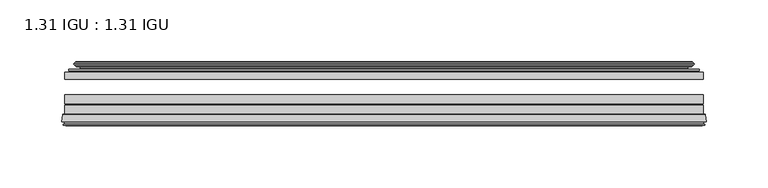
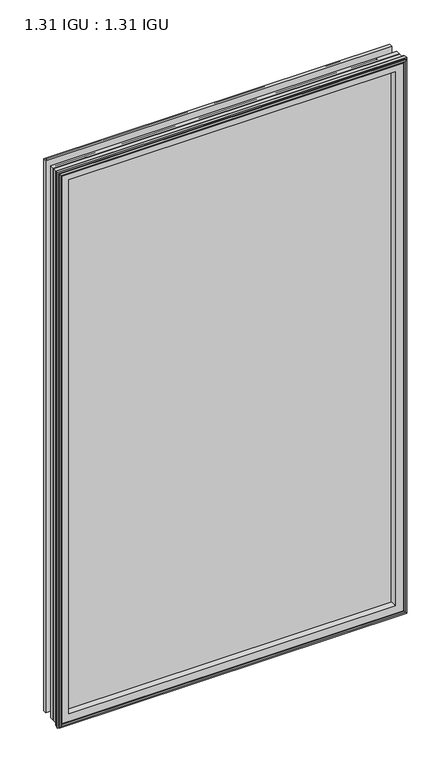
"""IFC4 building model written with IfcOpenShell, lengths in millimetres: plate geometry, 1.31 IGU : 1.31 IGU."""

from ifc_helpers import new_model, si_unit, frame, origin, place, context, project, spatial, polyline, ellipse_curve, outline, extrude, source, transform, mapped, element, save
from ifc_brep_helpers import plane_surface, cylinder_surface, revolved_surface, advanced_brep


def plate_1_31_igu_1_31_igu_9e74d683(model_context):
    return source(origin(), model_context, "Body", "SolidModel", [
        extrude(outline(polyline([(258.7578362, -44.8960875), (258.7578362, -50.4332875), (-258.7627713, -50.4332875), (-258.7627713, -44.8960875), (258.7578362, -44.8960875)])), frame((0.0, 0.0, -14.2875), z_axis=(0.0, 0.0, 1.0), x_axis=(1.0, 0.0, 0.0)), (0.0, 0.0, 1.0), 873.1260851),
        extrude(outline(polyline([(-258.7627713, -78.7796875), (-258.7627713, -71.7692875), (258.7578362, -71.7692875), (258.7578362, -78.7796875), (-258.7627713, -78.7796875)])), frame((0.0, 0.0, -14.2875), z_axis=(0.0, 0.0, 1.0), x_axis=(1.0, 0.0, 0.0)), (0.0, 0.0, 1.0), 873.1260851),
        extrude(outline(polyline([(-258.7627713, -70.2452875), (-258.7627713, -63.1332875), (258.7578362, -63.1332875), (258.7578362, -70.2452875), (-258.7627713, -70.2452875)])), frame((0.0, 0.0, -14.2875), z_axis=(0.0, 0.0, 1.0), x_axis=(1.0, 0.0, 0.0)), (0.0, 0.0, 1.0), 873.1260851),
        advanced_brep(
        [(-261.3096752, -85.1296875, 861.385489), (-260.6148914, -79.4711276, 860.6907053), (-260.6148914, -79.4711276, -16.1396201), (-261.3096752, -85.1296875, -16.8344039), (-258.9220752, -87.1207518, 858.997889), (-259.3792752, -85.1296875, 859.455089), (-259.3792752, -85.1296875, -14.9040039), (-258.9220752, -87.1207518, -14.4468039), (-259.9234371, -86.8524376, 859.9992509), (-259.9234371, -86.8524376, -15.4481658), (-260.1666752, -87.7602147, 860.242489), (-260.1666752, -87.7602147, -15.6914039), (-258.1346752, -88.3046875, 858.210489), (-258.1346752, -88.3046875, -13.6594039), (-256.1026752, -87.7602147, 856.178489), (-256.1026752, -87.7602147, -11.6274039), (-256.3459133, -86.8524376, 856.4217272), (-256.3459133, -86.8524376, -11.8706421), (-257.3472752, -87.1207518, 857.423089), (-257.3472752, -87.1207518, -12.8720039), (-256.8900752, -85.1296875, 856.965889), (-256.8900752, -85.1296875, -12.4148039), (-259.8333606, -78.7796875, 859.9091744), (-259.8333606, -78.7796875, -15.3580893), (260.6148914, -79.4711276, -16.1396201), (261.3096752, -85.1296875, -16.8344039), (259.3792752, -85.1296875, -14.9040039), (258.9220752, -87.1207518, -14.4468039), (259.9234371, -86.8524376, -15.4481658), (260.1666752, -87.7602147, -15.6914039), (258.1346752, -88.3046875, -13.6594039), (256.1026752, -87.7602147, -11.6274039), (256.3459133, -86.8524376, -11.8706421), (257.3472752, -87.1207518, -12.8720039), (256.8900752, -85.1296875, -12.4148039), (259.8333606, -78.7796875, -15.3580893), (260.6148914, -79.4711276, 860.6907053), (261.3096752, -85.1296875, 861.385489), (259.3792752, -85.1296875, 859.455089), (258.9220752, -87.1207518, 858.997889), (259.9234371, -86.8524376, 859.9992509), (260.1666752, -87.7602147, 860.242489), (258.1346752, -88.3046875, 858.210489), (256.1026752, -87.7602147, 856.178489), (256.3459133, -86.8524376, 856.4217272), (257.3472752, -87.1207518, 857.423089), (256.8900752, -85.1296875, 856.965889), (259.8333606, -78.7796875, 859.9091744), (-244.4874844, -85.1296875, 844.5632982), (244.4874844, -85.1296875, 844.5632982), (244.4874844, -85.1296875, -0.0122131), (-244.4874844, -85.1296875, -0.0122131), (-241.1712075, -78.7796875, 3.3040638), (241.1712075, -78.7796875, 3.3040638), (241.1712075, -78.7796875, 841.2470213), (-241.1712075, -78.7796875, 841.2470213)],
        [
            (0, 1),
            (1, 2),
            (2, 3),
            (3, 0),
            (4, 5),
            (5, 6),
            (6, 7),
            (7, 4),
            (8, 4),
            (7, 9),
            (9, 8),
            (10, 8),
            (9, 11),
            (11, 10),
            (12, 10),
            (11, 13),
            (13, 12),
            (14, 12),
            (13, 15),
            (15, 14),
            (16, 14),
            (15, 17),
            (17, 16),
            (18, 16),
            (17, 19),
            (19, 18),
            (20, 18),
            (19, 21),
            (21, 20),
            (1, 22, ellipse_curve(frame((-259.8333606, -79.5670875, 859.9091744), z_axis=(-0.7071067811865475, 0.0, -0.7071067811865475), x_axis=(-0.7071067811865474, 0.0, 0.7071067811865476)), 1.1135518, 0.7874)),
            (22, 23),
            (23, 2, ellipse_curve(frame((-259.8333606, -79.5670875, -15.3580893), z_axis=(-0.7071067811865475, 0.0, 0.7071067811865475), x_axis=(0.7071067811865474, 0.0, 0.7071067811865476)), 1.1135518, 0.7874)),
            (2, 24),
            (24, 25),
            (25, 3),
            (6, 26),
            (26, 27),
            (27, 7),
            (27, 28),
            (28, 9),
            (28, 29),
            (29, 11),
            (29, 30),
            (30, 13),
            (30, 31),
            (31, 15),
            (31, 32),
            (32, 17),
            (32, 33),
            (33, 19),
            (33, 34),
            (34, 21),
            (23, 35),
            (35, 24, ellipse_curve(frame((259.8333606, -79.5670875, -15.3580893), z_axis=(-0.7071067811865475, 0.0, -0.7071067811865475), x_axis=(-0.7071067811865476, 0.0, 0.7071067811865474)), 1.1135518, 0.7874)),
            (24, 36),
            (36, 37),
            (37, 25),
            (26, 38),
            (38, 39),
            (39, 27),
            (39, 40),
            (40, 28),
            (40, 41),
            (41, 29),
            (41, 42),
            (42, 30),
            (42, 43),
            (43, 31),
            (43, 44),
            (44, 32),
            (44, 45),
            (45, 33),
            (45, 46),
            (46, 34),
            (35, 47),
            (47, 36, ellipse_curve(frame((259.8333606, -79.5670875, 859.9091744), z_axis=(0.7071067811865475, 0.0, -0.7071067811865475), x_axis=(-0.7071067811865474, 0.0, -0.7071067811865476)), 1.1135518, 0.7874)),
            (36, 1),
            (0, 37),
            (5, 38),
            (4, 39),
            (8, 40),
            (10, 41),
            (12, 42),
            (14, 43),
            (16, 44),
            (18, 45),
            (20, 46),
            (48, 49),
            (49, 50),
            (50, 51),
            (51, 48),
            (22, 47),
            (52, 53),
            (53, 54),
            (54, 55),
            (55, 52),
            (55, 48, ellipse_curve(frame((-233.2381895, -86.963653, 833.3140033), z_axis=(0.7071067811865475, 0.0, 0.7071067811865475), x_axis=(0.7071067811865474, 0.0, -0.7071067811865476)), 16.118937, 11.3978097)),
            (51, 52, ellipse_curve(frame((-233.2381895, -86.963653, 11.2370818), z_axis=(0.7071067811865475, 0.0, -0.7071067811865475), x_axis=(-0.7071067811865474, 0.0, -0.7071067811865476)), 16.118937, 11.3978097)),
            (50, 53, ellipse_curve(frame((233.2381895, -86.963653, 11.2370818), z_axis=(0.7071067811865475, 0.0, 0.7071067811865475), x_axis=(0.7071067811865476, 0.0, -0.7071067811865474)), 16.118937, 11.3978097)),
            (49, 54, ellipse_curve(frame((233.2381895, -86.963653, 833.3140033), z_axis=(-0.7071067811865475, 0.0, 0.7071067811865475), x_axis=(0.7071067811865474, 0.0, 0.7071067811865476)), 16.118937, 11.3978097)),
        ],
        [
            plane_surface(frame((-260.6148914, -79.4711276, 860.6907053), z_axis=(-0.9925461516413008, 0.12186934340532068, 0.0), x_axis=(0.0, 0.0, -1.0))),
            plane_surface(frame((-259.3792752, -85.1296875, 859.455089), z_axis=(-0.9746347637895997, -0.22380142361654332, 0.0), x_axis=(0.0, 0.0, -1.0))),
            plane_surface(frame((-258.9220752, -87.1207518, 858.997889), z_axis=(0.25881904510266784, 0.9659258262890289, 0.0), x_axis=(0.0, 0.0, -1.0))),
            plane_surface(frame((-259.9234371, -86.8524376, 859.9992509), z_axis=(-0.9659258262890449, 0.2588190451026083, 0.0), x_axis=(0.0, 0.0, -1.0))),
            plane_surface(frame((-260.1666752, -87.7602147, 860.242489), z_axis=(-0.2588190451025689, -0.9659258262890554, 0.0), x_axis=(0.0, 0.0, -1.0))),
            plane_surface(frame((-258.1346752, -88.3046875, 858.210489), z_axis=(0.25881904510241466, -0.9659258262890968, 0.0), x_axis=(0.0, 0.0, -1.0))),
            plane_surface(frame((-256.1026752, -87.7602147, 856.178489), z_axis=(0.9659258262890272, 0.25881904510267406, 0.0), x_axis=(0.0, 0.0, -1.0))),
            plane_surface(frame((-256.3459133, -86.8524376, 856.4217272), z_axis=(-0.25881904510234177, 0.9659258262891163, 0.0), x_axis=(0.0, 0.0, -1.0))),
            plane_surface(frame((-257.3472752, -87.1207518, 857.423089), z_axis=(0.9746347637895936, -0.2238014236165695, 0.0), x_axis=(0.0, 0.0, -1.0))),
            cylinder_surface(frame((-259.8333606, -79.5670875, 876.3010851), z_axis=(0.0, 0.0, 1.0), x_axis=(-1.0, 0.0, 0.0)), 0.7874),
            plane_surface(frame((-260.6148914, -79.4711276, -16.1396201), z_axis=(0.0, 0.12186934340531747, -0.9925461516413012), x_axis=(1.0, 0.0, 0.0))),
            plane_surface(frame((-259.3792752, -85.1296875, -14.9040039), z_axis=(0.0, -0.22380142361654648, -0.9746347637895989), x_axis=(1.0, 0.0, 0.0))),
            plane_surface(frame((-258.9220752, -87.1207518, -14.4468039), z_axis=(0.0, 0.9659258262890298, 0.25881904510266474), x_axis=(1.0, 0.0, 0.0))),
            plane_surface(frame((-259.9234371, -86.8524376, -15.4481658), z_axis=(0.0, 0.25881904510260517, -0.9659258262890458), x_axis=(1.0, 0.0, 0.0))),
            plane_surface(frame((-260.1666752, -87.7602147, -15.6914039), z_axis=(0.0, -0.9659258262890563, -0.2588190451025658), x_axis=(1.0, 0.0, 0.0))),
            plane_surface(frame((-258.1346752, -88.3046875, -13.6594039), z_axis=(0.0, -0.965925826289096, 0.25881904510241777), x_axis=(1.0, 0.0, 0.0))),
            plane_surface(frame((-256.1026752, -87.7602147, -11.6274039), z_axis=(0.0, 0.2588190451026772, 0.9659258262890265), x_axis=(1.0, 0.0, 0.0))),
            plane_surface(frame((-256.3459133, -86.8524376, -11.8706421), z_axis=(0.0, 0.9659258262891154, -0.2588190451023449), x_axis=(1.0, 0.0, 0.0))),
            plane_surface(frame((-257.3472752, -87.1207518, -12.8720039), z_axis=(0.0, -0.22380142361656633, 0.9746347637895943), x_axis=(1.0, 0.0, 0.0))),
            cylinder_surface(frame((-276.2252713, -79.5670875, -15.3580893), z_axis=(-1.0, 0.0, 0.0), x_axis=(0.0, 0.0, -1.0)), 0.7874),
            plane_surface(frame((260.6148914, -79.4711276, -16.1396201), z_axis=(0.9925461516413017, 0.12186934340531425, 0.0), x_axis=(0.0, 0.0, 1.0))),
            plane_surface(frame((259.3792752, -85.1296875, -14.9040039), z_axis=(0.9746347637895981, -0.22380142361654964, 0.0), x_axis=(0.0, 0.0, 1.0))),
            plane_surface(frame((258.9220752, -87.1207518, -14.4468039), z_axis=(-0.2588190451026616, 0.9659258262890307, 0.0), x_axis=(0.0, 0.0, 1.0))),
            plane_surface(frame((259.9234371, -86.8524376, -15.4481658), z_axis=(0.9659258262890467, 0.25881904510260206, 0.0), x_axis=(0.0, 0.0, 1.0))),
            plane_surface(frame((260.1666752, -87.7602147, -15.6914039), z_axis=(0.2588190451025627, -0.9659258262890572, 0.0), x_axis=(0.0, 0.0, 1.0))),
            plane_surface(frame((258.1346752, -88.3046875, -13.6594039), z_axis=(-0.2588190451024209, -0.9659258262890951, 0.0), x_axis=(0.0, 0.0, 1.0))),
            plane_surface(frame((256.1026752, -87.7602147, -11.6274039), z_axis=(-0.9659258262890256, 0.25881904510268033, 0.0), x_axis=(0.0, 0.0, 1.0))),
            plane_surface(frame((256.3459133, -86.8524376, -11.8706421), z_axis=(0.25881904510234804, 0.9659258262891146, 0.0), x_axis=(0.0, 0.0, 1.0))),
            plane_surface(frame((257.3472752, -87.1207518, -12.8720039), z_axis=(-0.9746347637895951, -0.22380142361656316, 0.0), x_axis=(0.0, 0.0, 1.0))),
            cylinder_surface(frame((259.8333606, -79.5670875, -31.75), z_axis=(0.0, 0.0, -1.0), x_axis=(1.0, 0.0, 0.0)), 0.7874),
            plane_surface(frame((260.6148914, -79.4711276, 860.6907053), z_axis=(0.0, 0.12186934340531747, 0.9925461516413012), x_axis=(-1.0, 0.0, 0.0))),
            plane_surface(frame((261.3096752, -85.1296875, 861.385489), z_axis=(0.0, -1.0, 0.0), x_axis=(-1.0, 0.0, 0.0))),
            plane_surface(frame((259.3792752, -85.1296875, 859.455089), z_axis=(0.0, -0.22380142361654648, 0.9746347637895989), x_axis=(-1.0, 0.0, 0.0))),
            plane_surface(frame((258.9220752, -87.1207518, 858.997889), z_axis=(0.0, 0.9659258262890298, -0.25881904510266474), x_axis=(-1.0, 0.0, 0.0))),
            plane_surface(frame((259.9234371, -86.8524376, 859.9992509), z_axis=(0.0, 0.25881904510260517, 0.9659258262890458), x_axis=(-1.0, 0.0, 0.0))),
            plane_surface(frame((260.1666752, -87.7602147, 860.242489), z_axis=(0.0, -0.9659258262890563, 0.2588190451025658), x_axis=(-1.0, 0.0, 0.0))),
            plane_surface(frame((258.1346752, -88.3046875, 858.210489), z_axis=(0.0, -0.965925826289096, -0.25881904510241777), x_axis=(-1.0, 0.0, 0.0))),
            plane_surface(frame((256.1026752, -87.7602147, 856.178489), z_axis=(0.0, 0.2588190451026772, -0.9659258262890265), x_axis=(-1.0, 0.0, 0.0))),
            plane_surface(frame((256.3459133, -86.8524376, 856.4217272), z_axis=(0.0, 0.9659258262891155, 0.25881904510234494), x_axis=(-1.0, 0.0, 0.0))),
            plane_surface(frame((257.3472752, -87.1207518, 857.423089), z_axis=(0.0, -0.22380142361656633, -0.9746347637895943), x_axis=(-1.0, 0.0, 0.0))),
            plane_surface(frame((256.8900752, -85.1296875, 856.965889), z_axis=(0.0, -1.0, 0.0), x_axis=(-1.0, 0.0, 0.0))),
            plane_surface(frame((241.1712075, -78.7796875, 841.2470213), z_axis=(0.0, 1.0, 0.0), x_axis=(-1.0, 0.0, 0.0))),
            cylinder_surface(frame((276.2252713, -79.5670875, 859.9091744), z_axis=(1.0, 0.0, 0.0), x_axis=(0.0, 0.0, 1.0)), 0.7874),
            revolved_surface(polyline([(-244.63599920000001, -86.963653, -0.1607278582187064), (-244.63599920000001, -86.963653, 844.7118129582187)]), (-233.2381895, -86.963653, 876.3010851), (0.0, 0.0, -1.0)),
            revolved_surface(polyline([(244.6359991582188, -86.963653, -0.16072789999999948), (-244.63599915821874, -86.963653, -0.16072789999999948)]), (-276.2252713, -86.963653, 11.2370818), (1.0, 0.0, 0.0)),
            revolved_surface(polyline([(244.63599920000001, -86.963653, 844.7118129582187), (244.63599920000001, -86.963653, -0.16072785821874191)]), (233.2381895, -86.963653, -31.75), (0.0, 0.0, 1.0)),
            revolved_surface(polyline([(-244.6359991582188, -86.963653, 844.711813), (244.63599915821874, -86.963653, 844.711813)]), (276.2252713, -86.963653, 833.3140033), (-1.0, 0.0, 0.0)),
        ],
        [
            (0, [[1, 2, 3, 4]]),
            (1, [[5, 6, 7, 8]]),
            (2, [[9, -8, 10, 11]]),
            (3, [[12, -11, 13, 14]]),
            (4, [[15, -14, 16, 17]]),
            (5, [[18, -17, 19, 20]]),
            (6, [[21, -20, 22, 23]]),
            (7, [[24, -23, 25, 26]]),
            (8, [[27, -26, 28, 29]]),
            (9, [[30, 31, 32, -2]]),
            (10, [[-3, 33, 34, 35]]),
            (11, [[-7, 36, 37, 38]]),
            (12, [[-10, -38, 39, 40]]),
            (13, [[-13, -40, 41, 42]]),
            (14, [[-16, -42, 43, 44]]),
            (15, [[-19, -44, 45, 46]]),
            (16, [[-22, -46, 47, 48]]),
            (17, [[-25, -48, 49, 50]]),
            (18, [[-28, -50, 51, 52]]),
            (19, [[-32, 53, 54, -33]]),
            (20, [[-34, 55, 56, 57]]),
            (21, [[-37, 58, 59, 60]]),
            (22, [[-39, -60, 61, 62]]),
            (23, [[-41, -62, 63, 64]]),
            (24, [[-43, -64, 65, 66]]),
            (25, [[-45, -66, 67, 68]]),
            (26, [[-47, -68, 69, 70]]),
            (27, [[-49, -70, 71, 72]]),
            (28, [[-51, -72, 73, 74]]),
            (29, [[-54, 75, 76, -55]]),
            (30, [[-56, 77, -1, 78]]),
            (31, [[-35, -57, -78, -4], [79, -58, -36, -6]]),
            (32, [[-59, -79, -5, 80]]),
            (33, [[-61, -80, -9, 81]]),
            (34, [[-63, -81, -12, 82]]),
            (35, [[-65, -82, -15, 83]]),
            (36, [[-67, -83, -18, 84]]),
            (37, [[-69, -84, -21, 85]]),
            (38, [[-71, -85, -24, 86]]),
            (39, [[-73, -86, -27, 87]]),
            (40, [[-52, -74, -87, -29], [88, 89, 90, 91]]),
            (41, [[92, -75, -53, -31], [93, 94, 95, 96]]),
            (42, [[-76, -92, -30, -77]]),
            (43, [[97, -91, 98, -96]]),
            (44, [[-98, -90, 99, -93]]),
            (45, [[-99, -89, 100, -94]]),
            (46, [[-100, -88, -97, -95]]),
        ],
    ),
        advanced_brep(
        [(-249.4174468, -37.7373382, 849.4932606), (-244.4758138, -36.3108875, 844.5516277), (-244.4758138, -36.3108875, -0.0005426), (-249.4174468, -37.7373382, -4.9421755), (-249.2523415, -36.9605789, 849.3281553), (-249.2523415, -36.9605789, -4.7770702), (-249.8478272, -36.4771203, 849.923641), (-249.8478272, -36.4771203, -5.3725559), (-251.112463, -37.766076, 851.1882768), (-251.112463, -37.766076, -6.6371917), (-251.1016462, -38.8797852, 851.17746), (-251.1016462, -38.8797852, -6.6263749), (-249.820161, -40.1361433, 849.8959748), (-249.820161, -40.1361433, -5.3448897), (-249.2151542, -39.649943, 849.290968), (-249.2151542, -39.649943, -4.7398829), (-249.7691684, -39.0959287, 849.8449823), (-249.7691684, -39.0959287, -5.2938972), (-247.48336, -38.7029881, 847.5591739), (-247.48336, -38.7029881, -3.0080887), (-246.0242869, -40.2107282, 846.1001008), (-246.0242869, -40.2107282, -1.5490157), (-246.3208689, -41.651269, 846.3966827), (-246.3208689, -41.651269, -1.8455976), (-247.0920933, -42.2798875, 847.1679072), (-247.0920933, -42.2798875, -2.6168221), (-255.3960697, -43.4871542, 855.4718835), (-255.1208682, -42.2798875, 855.1966821), (-255.1208682, -42.2798875, -10.6455969), (-255.3960697, -43.4871542, -10.9207984), (-251.938501, -44.8960875, 852.0143149), (-251.938501, -44.8960875, -7.4632297), (-240.8408772, -44.023302, 840.9166911), (-241.1962152, -44.8960875, 841.272029), (-241.1962152, -44.8960875, 3.2790561), (-240.8408772, -44.023302, 3.6343941), (-241.5120752, -43.3681812, 841.5878891), (-241.5120752, -43.3681812, 2.963196), (-243.1528658, -40.6686056, 843.2286797), (-243.1528658, -40.6686056, 1.3224054), (244.4758138, -36.3108875, -0.0005426), (249.4174468, -37.7373382, -4.9421755), (249.2523415, -36.9605789, -4.7770702), (249.8478272, -36.4771203, -5.3725559), (251.112463, -37.766076, -6.6371917), (251.1016462, -38.8797852, -6.6263749), (249.820161, -40.1361433, -5.3448897), (249.2151542, -39.649943, -4.7398829), (249.7691684, -39.0959287, -5.2938972), (247.48336, -38.7029881, -3.0080887), (246.0242869, -40.2107282, -1.5490157), (246.3208689, -41.651269, -1.8455976), (247.0920933, -42.2798875, -2.6168221), (255.1208682, -42.2798875, -10.6455969), (255.3960697, -43.4871542, -10.9207984), (251.938501, -44.8960875, -7.4632297), (241.1962152, -44.8960875, 3.2790561), (240.8408772, -44.023302, 3.6343941), (241.5120752, -43.3681812, 2.963196), (243.1528658, -40.6686056, 1.3224054), (244.4758138, -36.3108875, 844.5516277), (249.4174468, -37.7373382, 849.4932606), (249.2523415, -36.9605789, 849.3281553), (249.8478272, -36.4771203, 849.923641), (251.112463, -37.766076, 851.1882768), (251.1016462, -38.8797852, 851.17746), (249.820161, -40.1361433, 849.8959748), (249.2151542, -39.649943, 849.290968), (249.7691684, -39.0959287, 849.8449823), (247.48336, -38.7029881, 847.5591739), (246.0242869, -40.2107282, 846.1001008), (246.3208689, -41.651269, 846.3966827), (247.0920933, -42.2798875, 847.1679072), (255.1208682, -42.2798875, 855.1966821), (255.3960697, -43.4871542, 855.4718835), (251.938501, -44.8960875, 852.0143149), (241.1962152, -44.8960875, 841.272029), (240.8408772, -44.023302, 840.9166911), (241.5120752, -43.3681812, 841.5878891), (243.1528658, -40.6686056, 843.2286797)],
        [
            (0, 1),
            (1, 2),
            (2, 3),
            (3, 0),
            (4, 0),
            (3, 5),
            (5, 4),
            (6, 4, ellipse_curve(frame((-249.5728584, -36.746901, 849.6486723), z_axis=(-0.7071067811865475, 0.0, -0.7071067811865475), x_axis=(-0.7071067811865474, 0.0, 0.7071067811865476)), 0.5447741, 0.3852135)),
            (5, 7, ellipse_curve(frame((-249.5728584, -36.746901, -5.0975871), z_axis=(-0.7071067811865475, 0.0, 0.7071067811865475), x_axis=(0.7071067811865474, 0.0, 0.7071067811865476)), 0.5447741, 0.3852135)),
            (7, 6),
            (8, 6),
            (7, 9),
            (9, 8),
            (10, 8, ellipse_curve(frame((-250.5504099, -38.3175243, 850.6262238), z_axis=(-0.7071067811865475, 0.0, -0.7071067811865475), x_axis=(-0.7071067811865474, 0.0, 0.7071067811865476)), 1.1135518, 0.7874)),
            (9, 11, ellipse_curve(frame((-250.5504099, -38.3175243, -6.0751387), z_axis=(-0.7071067811865475, 0.0, 0.7071067811865475), x_axis=(0.7071067811865474, 0.0, 0.7071067811865476)), 1.1135518, 0.7874)),
            (11, 10),
            (12, 10),
            (11, 13),
            (13, 12),
            (14, 12, ellipse_curve(frame((-249.5465635, -39.8570738, 849.6223773), z_axis=(-0.7071067811865475, 0.0, -0.7071067811865475), x_axis=(-0.7071067811865474, 0.0, 0.7071067811865476)), 0.552694, 0.3908137)),
            (13, 15, ellipse_curve(frame((-249.5465635, -39.8570738, -5.0712922), z_axis=(-0.7071067811865475, 0.0, 0.7071067811865475), x_axis=(0.7071067811865474, 0.0, 0.7071067811865476)), 0.552694, 0.3908137)),
            (15, 14),
            (16, 14),
            (15, 17),
            (17, 16),
            (18, 16),
            (17, 19),
            (19, 18),
            (20, 18, ellipse_curve(frame((-247.2681974, -39.954629, 847.3440112), z_axis=(0.7071067811865475, 0.0, 0.7071067811865475), x_axis=(0.7071067811865474, 0.0, -0.7071067811865476)), 1.7960512, 1.27)),
            (19, 21, ellipse_curve(frame((-247.2681974, -39.954629, -2.7929261), z_axis=(0.7071067811865475, 0.0, -0.7071067811865475), x_axis=(-0.7071067811865474, 0.0, -0.7071067811865476)), 1.7960512, 1.27)),
            (21, 20),
            (22, 20),
            (21, 23),
            (23, 22),
            (24, 22, ellipse_curve(frame((-247.0920933, -41.4924875, 847.1679072), z_axis=(0.7071067811865475, 0.0, 0.7071067811865475), x_axis=(0.7071067811865474, 0.0, -0.7071067811865476)), 1.1135518, 0.7874)),
            (23, 25, ellipse_curve(frame((-247.0920933, -41.4924875, -2.6168221), z_axis=(0.7071067811865475, 0.0, -0.7071067811865475), x_axis=(-0.7071067811865474, 0.0, -0.7071067811865476)), 1.1135518, 0.7874)),
            (25, 24),
            (26, 27, ellipse_curve(frame((-255.1208682, -42.9148875, 855.1966821), z_axis=(-0.7071067811865475, 0.0, -0.7071067811865475), x_axis=(-0.7071067811865474, 0.0, 0.7071067811865476)), 0.8980256, 0.635)),
            (27, 28),
            (28, 29, ellipse_curve(frame((-255.1208682, -42.9148875, -10.6455969), z_axis=(-0.7071067811865475, 0.0, 0.7071067811865475), x_axis=(0.7071067811865474, 0.0, 0.7071067811865476)), 0.8980256, 0.635)),
            (29, 26),
            (30, 26),
            (29, 31),
            (31, 30),
            (32, 33, ellipse_curve(frame((-241.1962152, -44.3873602, 841.272029), z_axis=(-0.7071067811865475, 0.0, -0.7071067811865475), x_axis=(-0.7071067811865474, 0.0, 0.7071067811865476)), 0.719449, 0.5087273)),
            (33, 34),
            (34, 35, ellipse_curve(frame((-241.1962152, -44.3873602, 3.2790561), z_axis=(-0.7071067811865475, 0.0, 0.7071067811865475), x_axis=(0.7071067811865474, 0.0, 0.7071067811865476)), 0.719449, 0.5087273)),
            (35, 32),
            (36, 32),
            (35, 37),
            (37, 36),
            (38, 36, ellipse_curve(frame((-237.076701, -38.823959, 837.1525149), z_axis=(0.7071067811865475, 0.0, 0.7071067811865475), x_axis=(0.7071067811865474, 0.0, -0.7071067811865476)), 8.9802561, 6.35)),
            (37, 39, ellipse_curve(frame((-237.076701, -38.823959, 7.3985702), z_axis=(0.7071067811865475, 0.0, -0.7071067811865475), x_axis=(-0.7071067811865474, 0.0, -0.7071067811865476)), 8.9802561, 6.35)),
            (39, 38),
            (1, 38),
            (39, 2),
            (2, 40),
            (40, 41),
            (41, 3),
            (41, 42),
            (42, 5),
            (42, 43, ellipse_curve(frame((249.5728584, -36.746901, -5.0975871), z_axis=(-0.7071067811865475, 0.0, -0.7071067811865475), x_axis=(-0.7071067811865476, 0.0, 0.7071067811865474)), 0.5447741, 0.3852135)),
            (43, 7),
            (43, 44),
            (44, 9),
            (44, 45, ellipse_curve(frame((250.5504099, -38.3175243, -6.0751387), z_axis=(-0.7071067811865475, 0.0, -0.7071067811865475), x_axis=(-0.7071067811865476, 0.0, 0.7071067811865474)), 1.1135518, 0.7874)),
            (45, 11),
            (45, 46),
            (46, 13),
            (46, 47, ellipse_curve(frame((249.5465635, -39.8570738, -5.0712922), z_axis=(-0.7071067811865475, 0.0, -0.7071067811865475), x_axis=(-0.7071067811865476, 0.0, 0.7071067811865474)), 0.552694, 0.3908137)),
            (47, 15),
            (47, 48),
            (48, 17),
            (48, 49),
            (49, 19),
            (49, 50, ellipse_curve(frame((247.2681974, -39.954629, -2.7929261), z_axis=(0.7071067811865475, 0.0, 0.7071067811865475), x_axis=(0.7071067811865476, 0.0, -0.7071067811865474)), 1.7960512, 1.27)),
            (50, 21),
            (50, 51),
            (51, 23),
            (51, 52, ellipse_curve(frame((247.0920933, -41.4924875, -2.6168221), z_axis=(0.7071067811865475, 0.0, 0.7071067811865475), x_axis=(0.7071067811865476, 0.0, -0.7071067811865474)), 1.1135518, 0.7874)),
            (52, 25),
            (28, 53),
            (53, 54, ellipse_curve(frame((255.1208682, -42.9148875, -10.6455969), z_axis=(-0.7071067811865475, 0.0, -0.7071067811865475), x_axis=(-0.7071067811865476, 0.0, 0.7071067811865474)), 0.8980256, 0.635)),
            (54, 29),
            (54, 55),
            (55, 31),
            (34, 56),
            (56, 57, ellipse_curve(frame((241.1962152, -44.3873602, 3.2790561), z_axis=(-0.7071067811865475, 0.0, -0.7071067811865475), x_axis=(-0.7071067811865476, 0.0, 0.7071067811865474)), 0.719449, 0.5087273)),
            (57, 35),
            (57, 58),
            (58, 37),
            (58, 59, ellipse_curve(frame((237.076701, -38.823959, 7.3985702), z_axis=(0.7071067811865475, 0.0, 0.7071067811865475), x_axis=(0.7071067811865476, 0.0, -0.7071067811865474)), 8.9802561, 6.35)),
            (59, 39),
            (59, 40),
            (40, 60),
            (60, 61),
            (61, 41),
            (61, 62),
            (62, 42),
            (62, 63, ellipse_curve(frame((249.5728584, -36.746901, 849.6486723), z_axis=(0.7071067811865475, 0.0, -0.7071067811865475), x_axis=(-0.7071067811865474, 0.0, -0.7071067811865476)), 0.5447741, 0.3852135)),
            (63, 43),
            (63, 64),
            (64, 44),
            (64, 65, ellipse_curve(frame((250.5504099, -38.3175243, 850.6262238), z_axis=(0.7071067811865475, 0.0, -0.7071067811865475), x_axis=(-0.7071067811865474, 0.0, -0.7071067811865476)), 1.1135518, 0.7874)),
            (65, 45),
            (65, 66),
            (66, 46),
            (66, 67, ellipse_curve(frame((249.5465635, -39.8570738, 849.6223773), z_axis=(0.7071067811865475, 0.0, -0.7071067811865475), x_axis=(-0.7071067811865474, 0.0, -0.7071067811865476)), 0.552694, 0.3908137)),
            (67, 47),
            (67, 68),
            (68, 48),
            (68, 69),
            (69, 49),
            (69, 70, ellipse_curve(frame((247.2681974, -39.954629, 847.3440112), z_axis=(-0.7071067811865475, 0.0, 0.7071067811865475), x_axis=(0.7071067811865474, 0.0, 0.7071067811865476)), 1.7960512, 1.27)),
            (70, 50),
            (70, 71),
            (71, 51),
            (71, 72, ellipse_curve(frame((247.0920933, -41.4924875, 847.1679072), z_axis=(-0.7071067811865475, 0.0, 0.7071067811865475), x_axis=(0.7071067811865474, 0.0, 0.7071067811865476)), 1.1135518, 0.7874)),
            (72, 52),
            (53, 73),
            (73, 74, ellipse_curve(frame((255.1208682, -42.9148875, 855.1966821), z_axis=(0.7071067811865475, 0.0, -0.7071067811865475), x_axis=(-0.7071067811865474, 0.0, -0.7071067811865476)), 0.8980256, 0.635)),
            (74, 54),
            (74, 75),
            (75, 55),
            (56, 76),
            (76, 77, ellipse_curve(frame((241.1962152, -44.3873602, 841.272029), z_axis=(0.7071067811865475, 0.0, -0.7071067811865475), x_axis=(-0.7071067811865474, 0.0, -0.7071067811865476)), 0.719449, 0.5087273)),
            (77, 57),
            (77, 78),
            (78, 58),
            (78, 79, ellipse_curve(frame((237.076701, -38.823959, 837.1525149), z_axis=(-0.7071067811865475, 0.0, 0.7071067811865475), x_axis=(0.7071067811865474, 0.0, 0.7071067811865476)), 8.9802561, 6.35)),
            (79, 59),
            (79, 60),
            (60, 1),
            (0, 61),
            (4, 62),
            (6, 63),
            (8, 64),
            (10, 65),
            (12, 66),
            (14, 67),
            (16, 68),
            (18, 69),
            (20, 70),
            (22, 71),
            (24, 72),
            (27, 73),
            (26, 74),
            (30, 75),
            (33, 76),
            (32, 77),
            (36, 78),
            (38, 79),
        ],
        [
            plane_surface(frame((-244.4758138, -36.3108875, 844.5516277), z_axis=(-0.27733649284928463, 0.9607728502273879, 0.0), x_axis=(0.0, 0.0, -1.0))),
            plane_surface(frame((-249.4174468, -37.7373382, 849.4932606), z_axis=(0.9781476007338358, -0.2079116908176177, 0.0), x_axis=(0.0, 0.0, -1.0))),
            cylinder_surface(frame((-249.5728584, -36.746901, 876.3010851), z_axis=(0.0, 0.0, 1.0), x_axis=(-1.0, 0.0, 0.0)), 0.3852135),
            plane_surface(frame((-249.8478272, -36.4771203, 849.923641), z_axis=(-0.7138087599382162, 0.7003406701280928, 0.0), x_axis=(0.0, 0.0, -1.0))),
            cylinder_surface(frame((-250.5504099, -38.3175243, 876.3010851), z_axis=(0.0, 0.0, 1.0), x_axis=(-1.0, 0.0, 0.0)), 0.7874),
            plane_surface(frame((-251.1016462, -38.8797852, 851.17746), z_axis=(-0.7000714109283732, -0.7140728391423082, 0.0), x_axis=(0.0, 0.0, -1.0))),
            cylinder_surface(frame((-249.5465635, -39.8570738, 876.3010851), z_axis=(0.0, 0.0, 1.0), x_axis=(-1.0, 0.0, 0.0)), 0.3908137),
            plane_surface(frame((-249.2151542, -39.649943, 849.290968), z_axis=(0.7071067811861126, 0.7071067811869826, 0.0), x_axis=(0.0, 0.0, -1.0))),
            plane_surface(frame((-249.7691684, -39.0959287, 849.8449823), z_axis=(0.16941940671011482, -0.9855440449974789, 0.0), x_axis=(0.0, 0.0, -1.0))),
            revolved_surface(polyline([(-248.5381974, -39.954629, -4.0629260828783345), (-248.5381974, -39.954629, 848.6140111828782)]), (-247.2681974, -39.954629, 876.3010851), (0.0, 0.0, -1.0)),
            plane_surface(frame((-246.0242869, -40.2107282, 846.1001008), z_axis=(-0.9794570432566897, 0.20165292067030202, 0.0), x_axis=(0.0, 0.0, -1.0))),
            revolved_surface(polyline([(-247.87949329999998, -41.4924875, -3.4042221289824965), (-247.87949329999998, -41.4924875, 847.9553072289824)]), (-247.0920933, -41.4924875, 876.3010851), (0.0, 0.0, -1.0)),
            cylinder_surface(frame((-255.1208682, -42.9148875, 876.3010851), z_axis=(0.0, 0.0, 1.0), x_axis=(-1.0, 0.0, 0.0)), 0.635),
            plane_surface(frame((-255.3960697, -43.4871542, 855.4718835), z_axis=(-0.37736447542757934, -0.9260648209954139, 0.0), x_axis=(0.0, 0.0, -1.0))),
            cylinder_surface(frame((-241.1962152, -44.3873602, 876.3010851), z_axis=(0.0, 0.0, 1.0), x_axis=(-1.0, 0.0, 0.0)), 0.5087273),
            plane_surface(frame((-240.8408772, -44.023302, 840.9166911), z_axis=(0.698484125849927, 0.7156255486884628, 0.0), x_axis=(0.0, 0.0, -1.0))),
            revolved_surface(polyline([(-243.426701, -38.823959, 1.0485702148981773), (-243.426701, -38.823959, 843.5025148851018)]), (-237.076701, -38.823959, 876.3010851), (0.0, 0.0, -1.0)),
            plane_surface(frame((-243.1528658, -40.6686056, 843.2286797), z_axis=(0.9568763473517009, 0.2904955350411895, 0.0), x_axis=(0.0, 0.0, -1.0))),
            plane_surface(frame((-244.4758138, -36.3108875, -0.0005426), z_axis=(0.0, 0.960772850227387, -0.27733649284928774), x_axis=(1.0, 0.0, 0.0))),
            plane_surface(frame((-249.4174468, -37.7373382, -4.9421755), z_axis=(0.0, -0.20791169081761454, 0.9781476007338364), x_axis=(1.0, 0.0, 0.0))),
            cylinder_surface(frame((-276.2252713, -36.746901, -5.0975871), z_axis=(-1.0, 0.0, 0.0), x_axis=(0.0, 0.0, -1.0)), 0.3852135),
            plane_surface(frame((-249.8478272, -36.4771203, -5.3725559), z_axis=(0.0, 0.7003406701280904, -0.7138087599382185), x_axis=(1.0, 0.0, 0.0))),
            cylinder_surface(frame((-276.2252713, -38.3175243, -6.0751387), z_axis=(-1.0, 0.0, 0.0), x_axis=(0.0, 0.0, -1.0)), 0.7874),
            plane_surface(frame((-251.1016462, -38.8797852, -6.6263749), z_axis=(0.0, -0.7140728391423105, -0.7000714109283709), x_axis=(1.0, 0.0, 0.0))),
            cylinder_surface(frame((-276.2252713, -39.8570738, -5.0712922), z_axis=(-1.0, 0.0, 0.0), x_axis=(0.0, 0.0, -1.0)), 0.3908137),
            plane_surface(frame((-249.2151542, -39.649943, -4.7398829), z_axis=(0.0, 0.7071067811869849, 0.7071067811861103), x_axis=(1.0, 0.0, 0.0))),
            plane_surface(frame((-249.7691684, -39.0959287, -5.2938972), z_axis=(0.0, -0.9855440449974784, 0.16941940671011801), x_axis=(1.0, 0.0, 0.0))),
            revolved_surface(polyline([(248.5381973828783, -39.954629, -4.0629261), (-248.53819738287822, -39.954629, -4.0629261)]), (-276.2252713, -39.954629, -2.7929261), (1.0, 0.0, 0.0)),
            plane_surface(frame((-246.0242869, -40.2107282, -1.5490157), z_axis=(0.0, 0.20165292067029883, -0.9794570432566904), x_axis=(1.0, 0.0, 0.0))),
            revolved_surface(polyline([(247.8794933289825, -41.4924875, -3.4042220999999997), (-247.87949332898248, -41.4924875, -3.4042220999999997)]), (-276.2252713, -41.4924875, -2.6168221), (1.0, 0.0, 0.0)),
            cylinder_surface(frame((-276.2252713, -42.9148875, -10.6455969), z_axis=(-1.0, 0.0, 0.0), x_axis=(0.0, 0.0, -1.0)), 0.635),
            plane_surface(frame((-255.3960697, -43.4871542, -10.9207984), z_axis=(0.0, -0.9260648209954151, -0.37736447542757634), x_axis=(1.0, 0.0, 0.0))),
            cylinder_surface(frame((-276.2252713, -44.3873602, 3.2790561), z_axis=(-1.0, 0.0, 0.0), x_axis=(0.0, 0.0, -1.0)), 0.5087273),
            plane_surface(frame((-240.8408772, -44.023302, 3.6343941), z_axis=(0.0, 0.7156255486884651, 0.6984841258499247), x_axis=(1.0, 0.0, 0.0))),
            revolved_surface(polyline([(243.42670098510183, -38.823959, 1.0485702000000003), (-243.4267009851019, -38.823959, 1.0485702000000003)]), (-276.2252713, -38.823959, 7.3985702), (1.0, 0.0, 0.0)),
            plane_surface(frame((-243.1528658, -40.6686056, 1.3224054), z_axis=(0.0, 0.29049553504119263, 0.9568763473517), x_axis=(1.0, 0.0, 0.0))),
            plane_surface(frame((244.4758138, -36.3108875, -0.0005426), z_axis=(0.27733649284929085, 0.9607728502273861, 0.0), x_axis=(0.0, 0.0, 1.0))),
            plane_surface(frame((249.4174468, -37.7373382, -4.9421755), z_axis=(-0.9781476007338371, -0.20791169081761138, 0.0), x_axis=(0.0, 0.0, 1.0))),
            cylinder_surface(frame((249.5728584, -36.746901, -31.75), z_axis=(0.0, 0.0, -1.0), x_axis=(1.0, 0.0, 0.0)), 0.3852135),
            plane_surface(frame((249.8478272, -36.4771203, -5.3725559), z_axis=(0.7138087599382208, 0.7003406701280882, 0.0), x_axis=(0.0, 0.0, 1.0))),
            cylinder_surface(frame((250.5504099, -38.3175243, -31.75), z_axis=(0.0, 0.0, -1.0), x_axis=(1.0, 0.0, 0.0)), 0.7874),
            plane_surface(frame((251.1016462, -38.8797852, -6.6263749), z_axis=(0.7000714109283687, -0.7140728391423128, 0.0), x_axis=(0.0, 0.0, 1.0))),
            cylinder_surface(frame((249.5465635, -39.8570738, -31.75), z_axis=(0.0, 0.0, -1.0), x_axis=(1.0, 0.0, 0.0)), 0.3908137),
            plane_surface(frame((249.2151542, -39.649943, -4.7398829), z_axis=(-0.7071067811861079, 0.7071067811869872, 0.0), x_axis=(0.0, 0.0, 1.0))),
            plane_surface(frame((249.7691684, -39.0959287, -5.2938972), z_axis=(-0.1694194067101212, -0.9855440449974778, 0.0), x_axis=(0.0, 0.0, 1.0))),
            revolved_surface(polyline([(248.5381974, -39.954629, 848.6140111828782), (248.5381974, -39.954629, -4.062926082878235)]), (247.2681974, -39.954629, -31.75), (0.0, 0.0, 1.0)),
            plane_surface(frame((246.0242869, -40.2107282, -1.5490157), z_axis=(0.979457043256691, 0.20165292067029564, 0.0), x_axis=(0.0, 0.0, 1.0))),
            revolved_surface(polyline([(247.87949329999998, -41.4924875, 847.9553072289824), (247.87949329999998, -41.4924875, -3.404222128982486)]), (247.0920933, -41.4924875, -31.75), (0.0, 0.0, 1.0)),
            cylinder_surface(frame((255.1208682, -42.9148875, -31.75), z_axis=(0.0, 0.0, -1.0), x_axis=(1.0, 0.0, 0.0)), 0.635),
            plane_surface(frame((255.3960697, -43.4871542, -10.9207984), z_axis=(0.37736447542757334, -0.9260648209954163, 0.0), x_axis=(0.0, 0.0, 1.0))),
            cylinder_surface(frame((241.1962152, -44.3873602, -31.75), z_axis=(0.0, 0.0, -1.0), x_axis=(1.0, 0.0, 0.0)), 0.5087273),
            plane_surface(frame((240.8408772, -44.023302, 3.6343941), z_axis=(-0.6984841258499224, 0.7156255486884673, 0.0), x_axis=(0.0, 0.0, 1.0))),
            revolved_surface(polyline([(243.426701, -38.823959, 843.5025148851018), (243.426701, -38.823959, 1.0485702148981417)]), (237.076701, -38.823959, -31.75), (0.0, 0.0, 1.0)),
            plane_surface(frame((243.1528658, -40.6686056, 1.3224054), z_axis=(-0.9568763473516991, 0.29049553504119574, 0.0), x_axis=(0.0, 0.0, 1.0))),
            plane_surface(frame((244.4758138, -36.3108875, 844.5516277), z_axis=(0.0, 0.960772850227387, 0.27733649284928774), x_axis=(-1.0, 0.0, 0.0))),
            plane_surface(frame((249.4174468, -37.7373382, 849.4932606), z_axis=(0.0, -0.20791169081761454, -0.9781476007338364), x_axis=(-1.0, 0.0, 0.0))),
            cylinder_surface(frame((276.2252713, -36.746901, 849.6486723), z_axis=(1.0, 0.0, 0.0), x_axis=(0.0, 0.0, 1.0)), 0.3852135),
            plane_surface(frame((249.8478272, -36.4771203, 849.923641), z_axis=(0.0, 0.7003406701280904, 0.7138087599382185), x_axis=(-1.0, 0.0, 0.0))),
            cylinder_surface(frame((276.2252713, -38.3175243, 850.6262238), z_axis=(1.0, 0.0, 0.0), x_axis=(0.0, 0.0, 1.0)), 0.7874),
            plane_surface(frame((251.1016462, -38.8797852, 851.17746), z_axis=(0.0, -0.7140728391423106, 0.700071410928371), x_axis=(-1.0, 0.0, 0.0))),
            cylinder_surface(frame((276.2252713, -39.8570738, 849.6223773), z_axis=(1.0, 0.0, 0.0), x_axis=(0.0, 0.0, 1.0)), 0.3908137),
            plane_surface(frame((249.2151542, -39.649943, 849.290968), z_axis=(0.0, 0.7071067811869849, -0.7071067811861103), x_axis=(-1.0, 0.0, 0.0))),
            plane_surface(frame((249.7691684, -39.0959287, 849.8449823), z_axis=(0.0, -0.9855440449974784, -0.16941940671011801), x_axis=(-1.0, 0.0, 0.0))),
            revolved_surface(polyline([(-248.5381973828783, -39.954629, 848.6140111999999), (248.53819738287822, -39.954629, 848.6140111999999)]), (276.2252713, -39.954629, 847.3440112), (-1.0, 0.0, 0.0)),
            plane_surface(frame((246.0242869, -40.2107282, 846.1001008), z_axis=(0.0, 0.20165292067029883, 0.9794570432566904), x_axis=(-1.0, 0.0, 0.0))),
            revolved_surface(polyline([(-247.8794933289825, -41.4924875, 847.9553072), (247.87949332898248, -41.4924875, 847.9553072)]), (276.2252713, -41.4924875, 847.1679072), (-1.0, 0.0, 0.0)),
            plane_surface(frame((247.0920933, -42.2798875, 847.1679072), z_axis=(0.0, 1.0, 0.0), x_axis=(-1.0, 0.0, 0.0))),
            cylinder_surface(frame((276.2252713, -42.9148875, 855.1966821), z_axis=(1.0, 0.0, 0.0), x_axis=(0.0, 0.0, 1.0)), 0.635),
            plane_surface(frame((255.3960697, -43.4871542, 855.4718835), z_axis=(0.0, -0.9260648209954151, 0.37736447542757634), x_axis=(-1.0, 0.0, 0.0))),
            plane_surface(frame((251.938501, -44.8960875, 852.0143149), z_axis=(0.0, -1.0, 0.0), x_axis=(-1.0, 0.0, 0.0))),
            cylinder_surface(frame((276.2252713, -44.3873602, 841.272029), z_axis=(1.0, 0.0, 0.0), x_axis=(0.0, 0.0, 1.0)), 0.5087273),
            plane_surface(frame((240.8408772, -44.023302, 840.9166911), z_axis=(0.0, 0.7156255486884651, -0.6984841258499247), x_axis=(-1.0, 0.0, 0.0))),
            revolved_surface(polyline([(-243.42670098510183, -38.823959, 843.5025149), (243.4267009851019, -38.823959, 843.5025149)]), (276.2252713, -38.823959, 837.1525149), (-1.0, 0.0, 0.0)),
            plane_surface(frame((243.1528658, -40.6686056, 843.2286797), z_axis=(0.0, 0.29049553504119263, -0.9568763473517), x_axis=(-1.0, 0.0, 0.0))),
        ],
        [
            (0, [[1, 2, 3, 4]]),
            (1, [[5, -4, 6, 7]]),
            (2, [[8, -7, 9, 10]]),
            (3, [[11, -10, 12, 13]]),
            (4, [[14, -13, 15, 16]]),
            (5, [[17, -16, 18, 19]]),
            (6, [[20, -19, 21, 22]]),
            (7, [[23, -22, 24, 25]]),
            (8, [[26, -25, 27, 28]]),
            (9, [[29, -28, 30, 31]]),
            (10, [[32, -31, 33, 34]]),
            (11, [[35, -34, 36, 37]]),
            (12, [[38, 39, 40, 41]]),
            (13, [[42, -41, 43, 44]]),
            (14, [[45, 46, 47, 48]]),
            (15, [[49, -48, 50, 51]]),
            (16, [[52, -51, 53, 54]]),
            (17, [[55, -54, 56, -2]]),
            (18, [[-3, 57, 58, 59]]),
            (19, [[-6, -59, 60, 61]]),
            (20, [[-9, -61, 62, 63]]),
            (21, [[-12, -63, 64, 65]]),
            (22, [[-15, -65, 66, 67]]),
            (23, [[-18, -67, 68, 69]]),
            (24, [[-21, -69, 70, 71]]),
            (25, [[-24, -71, 72, 73]]),
            (26, [[-27, -73, 74, 75]]),
            (27, [[-30, -75, 76, 77]]),
            (28, [[-33, -77, 78, 79]]),
            (29, [[-36, -79, 80, 81]]),
            (30, [[-40, 82, 83, 84]]),
            (31, [[-43, -84, 85, 86]]),
            (32, [[-47, 87, 88, 89]]),
            (33, [[-50, -89, 90, 91]]),
            (34, [[-53, -91, 92, 93]]),
            (35, [[-56, -93, 94, -57]]),
            (36, [[-58, 95, 96, 97]]),
            (37, [[-60, -97, 98, 99]]),
            (38, [[-62, -99, 100, 101]]),
            (39, [[-64, -101, 102, 103]]),
            (40, [[-66, -103, 104, 105]]),
            (41, [[-68, -105, 106, 107]]),
            (42, [[-70, -107, 108, 109]]),
            (43, [[-72, -109, 110, 111]]),
            (44, [[-74, -111, 112, 113]]),
            (45, [[-76, -113, 114, 115]]),
            (46, [[-78, -115, 116, 117]]),
            (47, [[-80, -117, 118, 119]]),
            (48, [[-83, 120, 121, 122]]),
            (49, [[-85, -122, 123, 124]]),
            (50, [[-88, 125, 126, 127]]),
            (51, [[-90, -127, 128, 129]]),
            (52, [[-92, -129, 130, 131]]),
            (53, [[-94, -131, 132, -95]]),
            (54, [[-96, 133, -1, 134]]),
            (55, [[-98, -134, -5, 135]]),
            (56, [[-100, -135, -8, 136]]),
            (57, [[-102, -136, -11, 137]]),
            (58, [[-104, -137, -14, 138]]),
            (59, [[-106, -138, -17, 139]]),
            (60, [[-108, -139, -20, 140]]),
            (61, [[-110, -140, -23, 141]]),
            (62, [[-112, -141, -26, 142]]),
            (63, [[-114, -142, -29, 143]]),
            (64, [[-116, -143, -32, 144]]),
            (65, [[-118, -144, -35, 145]]),
            (66, [[146, -120, -82, -39], [-81, -119, -145, -37]]),
            (67, [[-121, -146, -38, 147]]),
            (68, [[-123, -147, -42, 148]]),
            (69, [[-86, -124, -148, -44], [149, -125, -87, -46]]),
            (70, [[-126, -149, -45, 150]]),
            (71, [[-128, -150, -49, 151]]),
            (72, [[-130, -151, -52, 152]]),
            (73, [[-132, -152, -55, -133]]),
        ],
    ),
    ])


if __name__ == "__main__":
    model = new_model("IFC4")
    model_context = context("Model", 3, world=origin())
    ifc_project = project(units=[si_unit("LENGTHUNIT", "METRE", prefix="MILLI")], contexts=[model_context])
    site = spatial("IfcSite", under=ifc_project)
    building = spatial("IfcBuilding", under=site)
    placement = place(None, origin())
    plate_1_31_igu_1_31_igu_shape = plate_1_31_igu_1_31_igu_9e74d683(model_context)
    element("IfcPlate", 1, ObjectType="1.31 IGU : 1.31 IGU", at=placement, inside=building, context=model_context, shape_type="MappedRepresentation", body=[
        mapped(plate_1_31_igu_1_31_igu_shape, transform((0.0, 0.0, 0.0), x_axis=(1.0, 0.0, 0.0), y_axis=(0.0, 1.0, 0.0), z_axis=(0.0, 0.0, 1.0))),
    ])
    save(model, "model.ifc")
